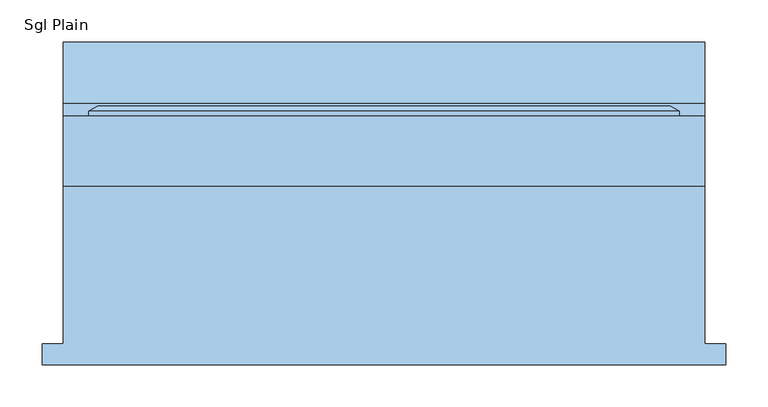
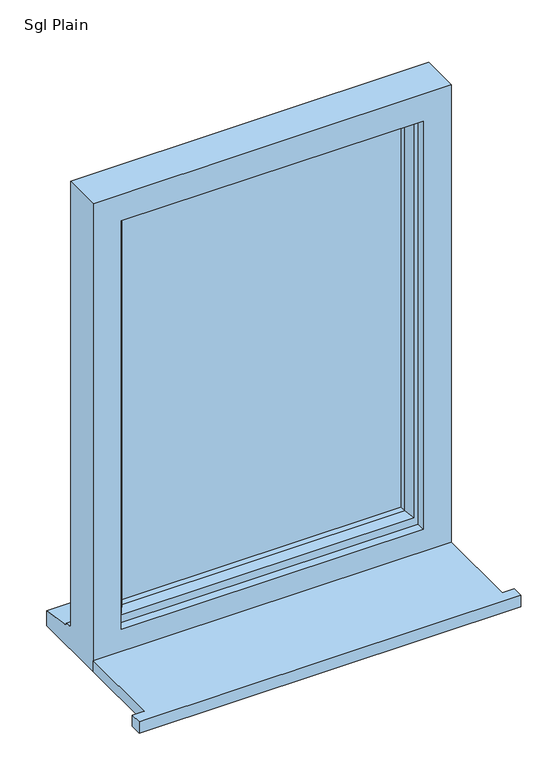
"""IFC4 building model written with IfcOpenShell, lengths in millimetres: window geometry, Sgl Plain."""

import ifcopenshell
import ifcopenshell.guid

model = None  # the IFC model being written
_history = None  # IfcOwnerHistory: only IFC2X3 demands one
_inside = {}  # id of a spatial element -> (the spatial element, [elements in it])
_under = {}  # id of a project, library or spatial element -> (it, [spatial elements below it])
_declared = {}  # id of a project -> (the project, [libraries it declares])
_typed = {}  # id of a type object -> (the type object, [elements of that type])
_made_of = {}  # id of a material, layer set ... -> (it, [elements and type objects made of it])


def new_model(schema):
    """Start an empty IFC model of exactly this schema.

    Asked for "IFC4X3", IfcOpenShell would pick the latest addendum, in which some entities
    have other attributes; the version numbers below select the first issue.
    IFC2X3 requires an IfcOwnerHistory on every rooted entity: one is made here for all.
    """
    global model, _history
    if schema == "IFC4X3":
        model = ifcopenshell.file(schema_version=(4, 3, 0, 0))
    else:
        model = ifcopenshell.file(schema=schema)
    _inside.clear()
    _under.clear()
    _declared.clear()
    _typed.clear()
    _made_of.clear()
    _history = None
    if model.schema == "IFC2X3":
        org = make("IfcOrganization", Name="unknown")
        user = make(
            "IfcPersonAndOrganization",
            ThePerson=make("IfcPerson", FamilyName="unknown"),
            TheOrganization=org,
        )
        app = make(
            "IfcApplication",
            ApplicationDeveloper=org,
            Version="unknown",
            ApplicationFullName="unknown",
            ApplicationIdentifier="unknown",
        )
        _history = make(
            "IfcOwnerHistory",
            OwningUser=user,
            OwningApplication=app,
            ChangeAction="ADDED",
            CreationDate=0,
        )
    return model


def make(cls, **values):
    """One entity of the class cls with the attributes given. An attribute that is None is left unset."""
    return model.create_entity(
        cls, **{name: value for name, value in values.items() if value is not None}
    )


def rooted(cls, **values):
    """An entity with a GlobalId (a new one), such as an element, a storey or a relation."""
    return make(cls, GlobalId=ifcopenshell.guid.new(), OwnerHistory=_history, **values)


def si_unit(unit_type, name, prefix=None):
    """IfcSIUnit, for example si_unit("LENGTHUNIT", "METRE", prefix="MILLI")."""
    return make("IfcSIUnit", UnitType=unit_type, Prefix=prefix, Name=name)


def assignment(units):
    """IfcUnitAssignment: the units of a project."""
    return None if units is None else make("IfcUnitAssignment", Units=units)


def point(xyz):
    """IfcCartesianPoint."""
    return None if xyz is None else make("IfcCartesianPoint", Coordinates=xyz)


def direction(xyz):
    """IfcDirection."""
    return None if xyz is None else make("IfcDirection", DirectionRatios=xyz)


def frame(location, z_axis=None, x_axis=None):
    """IfcAxis2Placement3D, a coordinate frame: its origin and axes. An axis left out is left unset."""
    return make(
        "IfcAxis2Placement3D",
        Location=point(location),
        Axis=direction(z_axis),
        RefDirection=direction(x_axis),
    )


def origin():
    """The frame at (0, 0, 0) with its axes left unset."""
    return frame((0.0, 0.0, 0.0))


def place(relative_to, where):
    """IfcLocalPlacement: puts the frame where relative to a parent placement (None: the world)."""
    return make(
        "IfcLocalPlacement", PlacementRelTo=relative_to, RelativePlacement=where
    )


def context(
    kind, dimensions, precision=None, world=None, true_north=None, identifier=None
):
    """IfcGeometricRepresentationContext, for example the 3D "Model" context."""
    return make(
        "IfcGeometricRepresentationContext",
        ContextIdentifier=identifier,
        ContextType=kind,
        CoordinateSpaceDimension=dimensions,
        Precision=precision,
        WorldCoordinateSystem=world,
        TrueNorth=true_north,
    )


def project(units=None, contexts=None):
    """IfcProject with its units and contexts."""
    return rooted(
        "IfcProject",
        Name="project",
        RepresentationContexts=contexts,
        UnitsInContext=assignment(units),
    )


def spatial(cls, under=None, at=None, **own):
    """A site, building, storey or space (cls), placed at a placement, below another one or the project."""
    s = rooted(cls, ObjectPlacement=at, **own)
    if under is not None:
        _under.setdefault(under.id(), (under, []))[1].append(s)
    return s


def polyline(points):
    """IfcPolyline through the points."""
    return make("IfcPolyline", Points=[point(p) for p in points])


def outline(outer, holes=None, kind="AREA"):
    """IfcArbitraryClosedProfileDef: a profile drawn as a closed curve; with holes, ...WithVoids."""
    if holes is None:
        return make("IfcArbitraryClosedProfileDef", ProfileType=kind, OuterCurve=outer)
    return make(
        "IfcArbitraryProfileDefWithVoids",
        ProfileType=kind,
        OuterCurve=outer,
        InnerCurves=holes,
    )


def extrude(swept, where, along, depth):
    """IfcExtrudedAreaSolid: the profile swept, set in the frame where, extruded along a direction by depth."""
    return make(
        "IfcExtrudedAreaSolid",
        SweptArea=swept,
        Position=where,
        ExtrudedDirection=direction(along),
        Depth=depth,
    )


def faces_of(points, faces, orient=None, outer=None):
    """IfcFace entities. A face is a list of loops; a loop is a list of indices into points, from 0.

    orient and outer hold one flag for each loop. By default every Orientation is true, the
    first loop of a face is its IfcFaceOuterBound and the others are IfcFaceBound.
    """
    made = []
    for i, loops in enumerate(faces):
        bounds = []
        for j, loop in enumerate(loops):
            is_outer = j == 0 if outer is None else outer[i][j]
            bounds.append(
                make(
                    "IfcFaceOuterBound" if is_outer else "IfcFaceBound",
                    Bound=make("IfcPolyLoop", Polygon=[points[k] for k in loop]),
                    Orientation=True if orient is None else orient[i][j],
                )
            )
        made.append(make("IfcFace", Bounds=bounds))
    return made


def faceted_brep(points, faces, orient=None, outer=None, voids=None):
    """IfcFacetedBrep: a solid bounded by flat faces; with voids (closed shells), ...WithVoids."""
    shared = [point(p) for p in points]
    hull = make("IfcClosedShell", CfsFaces=faces_of(shared, faces, orient, outer))
    if voids is None:
        return make("IfcFacetedBrep", Outer=hull)
    return make(
        "IfcFacetedBrepWithVoids",
        Outer=hull,
        Voids=[
            make(cls, CfsFaces=faces_of(shared, fs, o, b)) for cls, fs, o, b in voids
        ],
    )


def shape(context_of_items, identifier, shape_type, items):
    """IfcShapeRepresentation: the items that make up one representation, for example the "Body"."""
    return make(
        "IfcShapeRepresentation",
        ContextOfItems=context_of_items,
        RepresentationIdentifier=identifier,
        RepresentationType=shape_type,
        Items=items,
    )


def source(mapping_origin, context_of_items, identifier, shape_type, items):
    """IfcRepresentationMap: a shape defined once, which mapped items show again and again."""
    return make(
        "IfcRepresentationMap",
        MappingOrigin=mapping_origin,
        MappedRepresentation=shape(context_of_items, identifier, shape_type, items),
    )


def transform(
    local_origin,
    x_axis=None,
    y_axis=None,
    z_axis=None,
    scale=None,
    scale2=None,
    scale3=None,
    uniform=True,
):
    """IfcCartesianTransformationOperator3D, or its non-uniform kind. x_axis, y_axis, z_axis: its Axis1, 2, 3."""
    if uniform:
        return make(
            "IfcCartesianTransformationOperator3D",
            Axis1=direction(x_axis),
            Axis2=direction(y_axis),
            LocalOrigin=point(local_origin),
            Scale=scale,
            Axis3=direction(z_axis),
        )
    return make(
        "IfcCartesianTransformationOperator3DnonUniform",
        Axis1=direction(x_axis),
        Axis2=direction(y_axis),
        LocalOrigin=point(local_origin),
        Scale=scale,
        Axis3=direction(z_axis),
        Scale2=scale2,
        Scale3=scale3,
    )


def mapped(mapping_source, mapping_target):
    """IfcMappedItem: shows the shape of a source again, moved by a transform."""
    return make(
        "IfcMappedItem", MappingSource=mapping_source, MappingTarget=mapping_target
    )


def made_of(thing, what):
    """Note that an element or type object is made of a material, layer set ...; save() writes the relation."""
    if what is not None:
        _made_of.setdefault(what.id(), (what, []))[1].append(thing)
    return thing


def element(
    cls,
    number,
    at=None,
    inside=None,
    cuts=None,
    type_object=None,
    material=None,
    context=None,
    identifier="Body",
    shape_type=None,
    held_by="IfcProductDefinitionShape",
    body=None,
    shapes=None,
    **own,
):
    """One element of the class cls, such as IfcWall. Its Tag is "e" and its number.

    at: its placement. inside: the storey or other place that contains it. cuts: it is an
    opening in that element (IfcRelVoidsElement). A single representation is given by context,
    identifier, shape_type and body (its items); several are given by shapes. held_by: the class
    of the entity that holds the representations. save() writes the other relations.
    """
    e = rooted(cls, Tag="e%d" % number, ObjectPlacement=at, **own)
    if body is not None:
        shapes = [shape(context, identifier, shape_type, body)]
    if shapes is not None:
        e.Representation = make(held_by, Representations=shapes)
    if inside is not None:
        _inside.setdefault(inside.id(), (inside, []))[1].append(e)
    if cuts is not None:
        rooted(
            "IfcRelVoidsElement", RelatingBuildingElement=cuts, RelatedOpeningElement=e
        )
    if type_object is not None:
        _typed.setdefault(type_object.id(), (type_object, []))[1].append(e)
    return made_of(e, material)


def aggregate(whole, parts):
    """IfcRelAggregates: a whole, such as a stair, and the parts it consists of."""
    return rooted("IfcRelAggregates", RelatingObject=whole, RelatedObjects=parts)


def save(model, path):
    """Write the relations noted so far, then the file.

    IfcRelAggregates (storeys below a building ...), IfcRelContainedInSpatialStructure (elements
    in a storey), IfcRelDefinesByType, IfcRelAssociatesMaterial and IfcRelDeclares: one each for
    every whole, place, type object, material and project.
    """
    for whole, parts in _under.values():
        aggregate(whole, parts)
    for where, things in _inside.values():
        rooted(
            "IfcRelContainedInSpatialStructure",
            RelatedElements=things,
            RelatingStructure=where,
        )
    for kind, things in _typed.values():
        rooted("IfcRelDefinesByType", RelatedObjects=things, RelatingType=kind)
    for what, things in _made_of.values():
        rooted("IfcRelAssociatesMaterial", RelatedObjects=things, RelatingMaterial=what)
    for by, libraries in _declared.values():
        rooted("IfcRelDeclares", RelatingContext=by, RelatedDefinitions=libraries)
    model.write(path)


def sgl_plain_b6630fbd(model_context):
    return source(origin(), model_context, "Body", "SolidModel", [
        extrude(outline(polyline([(-405.0, -176.5434322), (-405.0, -151.5434322), (-380.0, -151.5434322), (-380.0, 35.4565678), (380.0, 35.4565678), (380.0, -151.5434322), (405.0, -151.5434322), (405.0, -176.5434322), (-405.0, -176.5434322)])), frame((0.0, 0.0, 1060.0), z_axis=(0.0, 0.0, 1.0), x_axis=(1.0, 0.0, 0.0)), (0.0, 0.0, 1.0), 25.0),
        faceted_brep([(-380.0, 35.4565678, 1060.0), (380.0, 35.4565678, 1060.0), (380.0, 35.4565678, 2110.0), (-380.0, 35.4565678, 2110.0), (-320.0, 35.4565678, 2050.0), (320.0, 35.4565678, 2050.0), (320.0, 35.4565678, 1135.0), (-320.0, 35.4565678, 1135.0), (-380.0, 118.4565678, 2110.0), (-380.0, 118.4565678, 1111.0), (-380.0, 133.4565678, 1109.68767), (-380.0, 133.4565678, 1104.7449676), (-380.0, 205.9565678, 1093.8088847), (-380.0, 205.9565678, 1060.0), (380.0, 118.4565678, 2110.0), (380.0, 118.4565678, 1111.0), (-340.0, 118.4565678, 2070.0), (-340.0, 118.4565678, 1123.0), (340.0, 118.4565678, 1123.0), (340.0, 118.4565678, 2070.0), (-340.0, 53.4565678, 2070.0), (-340.0, 53.4565678, 1123.0), (340.0, 53.4565678, 2070.0), (340.0, 53.4565678, 1123.0), (-320.0, 53.4565678, 2050.0), (-320.0, 53.4565678, 1135.0), (320.0, 53.4565678, 1135.0), (320.0, 53.4565678, 2050.0), (380.0, 205.9565678, 1060.0), (380.0, 205.9565678, 1093.8088847), (380.0, 133.4565678, 1104.7449676), (380.0, 133.4565678, 1109.68767)], [[[0, 1, 2, 3], [4, 5, 6, 7]], [[0, 3, 8, 9, 10, 11, 12, 13]], [[9, 8, 14, 15], [16, 17, 18, 19]], [[17, 16, 20, 21]], [[20, 22, 23, 21], [24, 25, 26, 27]], [[24, 4, 7, 25]], [[3, 2, 14, 8]], [[16, 19, 22, 20]], [[5, 4, 24, 27]], [[15, 14, 2, 1, 28, 29, 30, 31]], [[19, 18, 23, 22]], [[5, 27, 26, 6]], [[28, 1, 0, 13]], [[29, 28, 13, 12]], [[30, 29, 12, 11]], [[31, 30, 11, 10]], [[15, 31, 10, 9]], [[21, 23, 18, 17]], [[7, 6, 26, 25]]]),
        extrude(outline(polyline([(310.0, 82.4565678), (-310.0, 82.4565678), (-310.0, 106.4565678), (310.0, 106.4565678), (310.0, 82.4565678)])), frame((0.0, 0.0, 1153.0), z_axis=(0.0, 0.0, 1.0), x_axis=(1.0, 0.0, 0.0)), (0.0, 0.0, 1.0), 887.0),
        faceted_brep([(-350.0, 118.4565678, 2080.0), (-350.0, 124.2300705, 2080.0), (-350.0, 124.2300705, 1113.0), (-350.0, 118.4565678, 1113.0), (-340.0, 53.4565678, 2070.0), (-340.0, 118.4565678, 2070.0), (-340.0, 118.4565678, 1123.0), (-340.0, 53.4565678, 1123.0), (-300.0, 67.9494677, 2030.0), (-310.1480377, 53.4565678, 2040.1480377), (-310.1480377, 53.4565678, 1152.8519623), (-300.0, 67.9494677, 1163.0), (-300.0, 82.4565678, 2030.0), (-300.0, 82.4565678, 1163.0), (-310.0, 106.4565678, 2040.0), (-310.0, 82.4565678, 2040.0), (-310.0, 82.4565678, 1153.0), (-310.0, 106.4565678, 1153.0), (-300.0, 124.2300705, 2030.0), (-300.0, 106.4565678, 2030.0), (-300.0, 106.4565678, 1163.0), (-300.0, 124.2300705, 1163.0), (-317.4457548, 130.0035732, 2047.4457548), (-317.4457548, 130.0035732, 1145.5542452), (-339.2153903, 130.0035732, 2069.2153903), (-339.2153903, 130.0035732, 1123.7846097), (350.0, 124.2300705, 1113.0), (350.0, 118.4565678, 1113.0), (340.0, 118.4565678, 1123.0), (340.0, 53.4565678, 1123.0), (310.1480377, 53.4565678, 1152.8519623), (300.0, 67.9494677, 1163.0), (300.0, 82.4565678, 1163.0), (310.0, 82.4565678, 1153.0), (310.0, 106.4565678, 1153.0), (300.0, 106.4565678, 1163.0), (300.0, 124.2300705, 1163.0), (317.4457548, 130.0035732, 1145.5542452), (339.2153903, 130.0035732, 1123.7846097), (350.0, 124.2300705, 2080.0), (350.0, 118.4565678, 2080.0), (340.0, 118.4565678, 2070.0), (340.0, 53.4565678, 2070.0), (310.1480377, 53.4565678, 2040.1480377), (300.0, 67.9494677, 2030.0), (300.0, 82.4565678, 2030.0), (310.0, 82.4565678, 2040.0), (310.0, 106.4565678, 2040.0), (300.0, 106.4565678, 2030.0), (300.0, 124.2300705, 2030.0), (317.4457548, 130.0035732, 2047.4457548), (339.2153903, 130.0035732, 2069.2153903)], [[[0, 1, 2, 3]], [[4, 5, 6, 7]], [[8, 9, 10, 11]], [[12, 8, 11, 13]], [[14, 15, 16, 17]], [[18, 19, 20, 21]], [[22, 18, 21, 23]], [[1, 24, 25, 2]], [[3, 2, 26, 27]], [[7, 6, 28, 29]], [[11, 10, 30, 31]], [[13, 11, 31, 32]], [[17, 16, 33, 34]], [[21, 20, 35, 36]], [[23, 21, 36, 37]], [[2, 25, 38, 26]], [[27, 26, 39, 40]], [[29, 28, 41, 42]], [[31, 30, 43, 44]], [[32, 31, 44, 45]], [[34, 33, 46, 47]], [[36, 35, 48, 49]], [[37, 36, 49, 50]], [[26, 38, 51, 39]], [[40, 39, 1, 0]], [[3, 27, 40, 0], [5, 41, 28, 6]], [[42, 41, 5, 4]], [[7, 29, 42, 4], [9, 43, 30, 10]], [[44, 43, 9, 8]], [[45, 44, 8, 12]], [[15, 46, 33, 16], [13, 32, 45, 12]], [[47, 46, 15, 14]], [[17, 34, 47, 14], [19, 48, 35, 20]], [[49, 48, 19, 18]], [[50, 49, 18, 22]], [[24, 51, 38, 25], [23, 37, 50, 22]], [[39, 51, 24, 1]]]),
    ])


if __name__ == "__main__":
    model = new_model("IFC4")
    model_context = context("Model", 3, world=origin())
    ifc_project = project(units=[si_unit("LENGTHUNIT", "METRE", prefix="MILLI")], contexts=[model_context])
    site = spatial("IfcSite", under=ifc_project)
    building = spatial("IfcBuilding", under=site)
    placement = place(None, origin())
    sgl_plain_shape = sgl_plain_b6630fbd(model_context)
    element("IfcWindow", 1, ObjectType="Sgl Plain", at=placement, inside=building, context=model_context, shape_type="MappedRepresentation", body=[
        mapped(sgl_plain_shape, transform((0.0, 0.0, 0.0), x_axis=(1.0, 0.0, 0.0), y_axis=(0.0, 1.0, 0.0), z_axis=(0.0, 0.0, 1.0))),
    ])
    save(model, "model.ifc")
